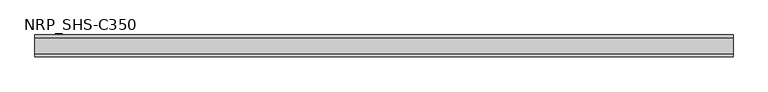
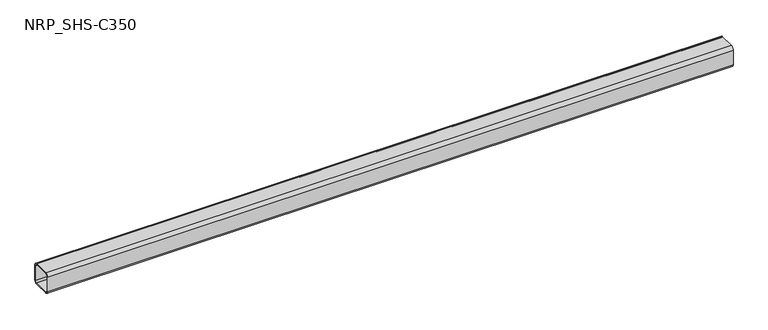
"""IFC4 building model written with IfcOpenShell, lengths in millimetres: member geometry, NRP_SHS-C350."""

from ifc_helpers import new_model, si_unit, point, frame, frame_2d, origin, place, context, project, spatial, polyline, circle_curve, trimmed, segment, composite_curve, outline, extrude, source, transform, mapped, element, save


def nrp_shs_c350_b2eddafd(model_context):
    return source(origin(), model_context, "Body", "SweptSolid", [
        extrude(outline(composite_curve([segment(polyline([(44.5, 32.0), (44.5, -32.0)]), True, "CONTINUOUS"), segment(trimmed(circle_curve(frame_2d((32.0, -32.0)), 12.5), [point((44.5, -32.0))], [point((32.0, -44.5))], False, "CARTESIAN"), True, "CONTINUOUS"), segment(polyline([(32.0, -44.5), (-32.0, -44.5)]), True, "CONTINUOUS"), segment(trimmed(circle_curve(frame_2d((-32.0, -32.0)), 12.5), [point((-32.0, -44.5))], [point((-44.5, -32.0))], False, "CARTESIAN"), True, "CONTINUOUS"), segment(polyline([(-44.5, -32.0), (-44.5, 32.0)]), True, "CONTINUOUS"), segment(trimmed(circle_curve(frame_2d((-32.0, 32.0)), 12.5), [point((-44.5, 32.0))], [point((-32.0, 44.5))], False, "CARTESIAN"), True, "CONTINUOUS"), segment(polyline([(-32.0, 44.5), (32.0, 44.5)]), True, "CONTINUOUS"), segment(trimmed(circle_curve(frame_2d((32.0, 32.0)), 12.5), [point((32.0, 44.5))], [point((44.5, 32.0))], False, "CARTESIAN"), True, "CONTINUOUS")], self_intersect=False), holes=[composite_curve([segment(trimmed(circle_curve(frame_2d((-32.0, 32.0)), 7.5), [point((-32.0, 39.5))], [point((-39.5, 32.0))], True, "CARTESIAN"), True, "CONTINUOUS"), segment(polyline([(-39.5, 32.0), (-39.5, -32.0)]), True, "CONTINUOUS"), segment(trimmed(circle_curve(frame_2d((-32.0, -32.0)), 7.5), [point((-39.5, -32.0))], [point((-32.0, -39.5))], True, "CARTESIAN"), True, "CONTINUOUS"), segment(polyline([(-32.0, -39.5), (32.0, -39.5)]), True, "CONTINUOUS"), segment(trimmed(circle_curve(frame_2d((32.0, -32.0)), 7.5), [point((32.0, -39.5))], [point((39.5, -32.0))], True, "CARTESIAN"), True, "CONTINUOUS"), segment(polyline([(39.5, -32.0), (39.5, 32.0)]), True, "CONTINUOUS"), segment(trimmed(circle_curve(frame_2d((32.0, 32.0)), 7.5), [point((39.5, 32.0))], [point((32.0, 39.5))], True, "CARTESIAN"), True, "CONTINUOUS"), segment(polyline([(32.0, 39.5), (-32.0, 39.5)]), True, "CONTINUOUS")], self_intersect=False)]), frame((-1422.0, 0.0, 0.0), z_axis=(1.0, 0.0, 0.0), x_axis=(0.0, 1.0, 0.0)), (0.0, 0.0, 1.0), 2844.0),
    ])


if __name__ == "__main__":
    model = new_model("IFC4")
    model_context = context("Model", 3, world=origin())
    ifc_project = project(units=[si_unit("LENGTHUNIT", "METRE", prefix="MILLI")], contexts=[model_context])
    site = spatial("IfcSite", under=ifc_project)
    building = spatial("IfcBuilding", under=site)
    placement = place(None, origin())
    nrp_shs_c350_shape = nrp_shs_c350_b2eddafd(model_context)
    element("IfcMember", 1, ObjectType="NRP_SHS-C350", at=placement, inside=building, context=model_context, shape_type="MappedRepresentation", body=[
        mapped(nrp_shs_c350_shape, transform((0.0, 0.0, 0.0), x_axis=(1.0, 0.0, 0.0), y_axis=(0.0, 1.0, 0.0), z_axis=(0.0, 0.0, 1.0))),
    ])
    save(model, "model.ifc")
